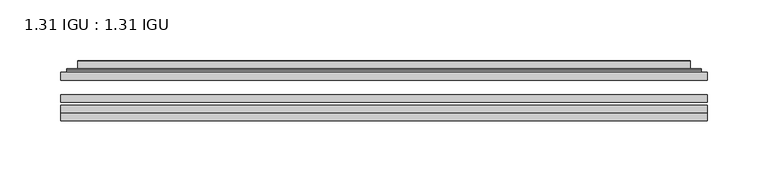
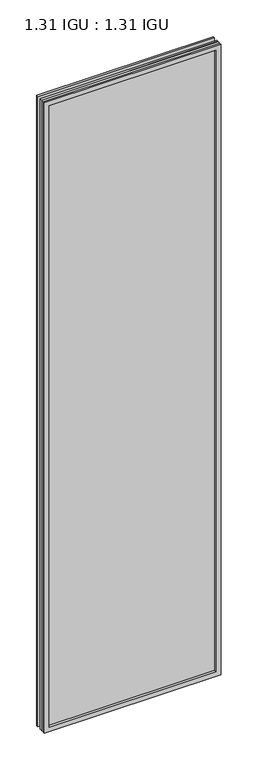
"""IFC4 building model written with IfcOpenShell, lengths in millimetres: plate geometry, 1.31 IGU : 1.31 IGU."""

from ifc_helpers import new_model, si_unit, frame, origin, place, context, project, spatial, polyline, ellipse_curve, outline, extrude, faceted_brep, source, transform, mapped, element, save
from ifc_brep_helpers import plane_surface, cylinder_surface, advanced_brep


def plate_1_31_igu_1_31_igu_72aa3042(model_context):
    return source(origin(), model_context, "Body", "SolidModel", [
        extrude(outline(polyline([(266.714175, -63.2975937), (266.714175, -69.6475938), (-266.7, -69.6475938), (-266.7, -63.2975937), (266.714175, -63.2975937)])), frame((0.0, 0.0, -14.2875), z_axis=(0.0, 0.0, 1.0), x_axis=(1.0, 0.0, 0.0)), (0.0, 0.0, 1.0), 2009.796575),
        extrude(outline(polyline([(-266.7, -78.2835938), (-266.7, -71.9330887), (266.714175, -71.9330887), (266.714175, -78.2835938), (-266.7, -78.2835938)])), frame((0.0, 0.0, -14.2875), z_axis=(0.0, 0.0, 1.0), x_axis=(1.0, 0.0, 0.0)), (0.0, 0.0, 1.0), 2009.796575),
        extrude(outline(polyline([(266.714175, -44.9587937), (266.714175, -51.3087938), (-266.7, -51.3087938), (-266.7, -44.9587937), (266.714175, -44.9587937)])), frame((0.0, 0.0, -14.2875), z_axis=(0.0, 0.0, 1.0), x_axis=(1.0, 0.0, 0.0)), (0.0, 0.0, 1.0), 2009.796575),
        faceted_brep([(-266.7127, -84.6335937, 1995.5179772), (-266.7127, -78.2835937, 1995.5179772), (-266.7127, -78.2835937, -14.3002), (-266.7127, -84.6335937, -14.3002), (266.7127, -78.2835937, -14.3002), (266.7127, -84.6335937, -14.3002), (266.7127, -78.2835937, 1995.5179772), (266.7127, -84.6335937, 1995.5179772), (-251.5147559, -78.2835937, 0.8977441), (251.5147559, -78.2835937, 0.8977441), (251.5147559, -78.2835937, 1980.320033), (-251.5147559, -78.2835937, 1980.320033), (-252.4071902, -84.6335937, 1981.2124673), (252.4071902, -84.6335937, 1981.2124673), (252.4071902, -84.6335937, 0.0053098), (-252.4071902, -84.6335937, 0.0053098)], [[[0, 1, 2, 3]], [[3, 2, 4, 5]], [[5, 4, 6, 7]], [[1, 6, 4, 2], [8, 9, 10, 11]], [[7, 6, 1, 0]], [[3, 5, 7, 0], [12, 13, 14, 15]], [[11, 12, 15, 8]], [[8, 15, 14, 9]], [[9, 14, 13, 10]], [[10, 13, 12, 11]]]),
        advanced_brep(
        [(-259.458719, -44.9587937, 1988.2639962), (-261.8129244, -42.9691271, 1990.6182015), (-261.8129244, -42.9691271, -9.4004244), (-259.458719, -44.9587937, -7.046219), (-250.3843939, -41.1187568, 1979.1896711), (-245.4495621, -44.9587937, 1974.2548392), (-245.4495621, -44.9587937, 6.9629379), (-250.3843939, -41.1187568, 2.0281061), (-251.4164217, -35.7215256, 1980.2216988), (-251.4164217, -35.7215256, 0.9960783), (-252.4070784, -35.3225507, 1981.2123556), (-252.4070784, -35.3225507, 0.0054216), (-252.4070784, -41.7837937, 1981.2123556), (-252.4070784, -41.7837937, 0.0054216), (-260.8111349, -41.7837937, 1989.616412), (-260.8111349, -41.7837937, -8.3986349), (261.8129244, -42.9691271, -9.4004244), (259.458719, -44.9587937, -7.046219), (245.4495621, -44.9587937, 6.9629379), (250.3843939, -41.1187568, 2.0281061), (251.4164217, -35.7215256, 0.9960783), (252.4070784, -35.3225507, 0.0054216), (252.4070784, -41.7837937, 0.0054216), (260.8111349, -41.7837937, -8.3986349), (261.8129244, -42.9691271, 1990.6182015), (259.458719, -44.9587937, 1988.2639962), (245.4495621, -44.9587937, 1974.2548392), (250.3843939, -41.1187568, 1979.1896711), (251.4164217, -35.7215256, 1980.2216988), (252.4070784, -35.3225507, 1981.2123556), (252.4070784, -41.7837937, 1981.2123556), (260.8111349, -41.7837937, 1989.616412)],
        [
            (0, 1, ellipse_curve(frame((-259.458719, -42.5711937, 1988.2639962), z_axis=(-0.7071067811865475, 0.0, -0.7071067811865475), x_axis=(-0.7071067811865474, 0.0, 0.7071067811865476)), 3.3765763, 2.3876)),
            (1, 2),
            (2, 3, ellipse_curve(frame((-259.458719, -42.5711937, -7.046219), z_axis=(-0.7071067811865475, 0.0, 0.7071067811865475), x_axis=(0.7071067811865474, 0.0, 0.7071067811865476)), 3.3765763, 2.3876)),
            (3, 0),
            (4, 5),
            (5, 6),
            (6, 7),
            (7, 4),
            (8, 4),
            (7, 9),
            (9, 8),
            (10, 8, ellipse_curve(frame((-252.0401219, -35.840786, 1980.845399), z_axis=(-0.7071067811865475, 0.0, -0.7071067811865475), x_axis=(-0.7071067811865474, 0.0, 0.7071067811865476)), 0.8980256, 0.635)),
            (9, 11, ellipse_curve(frame((-252.0401219, -35.840786, 0.3723781), z_axis=(-0.7071067811865475, 0.0, 0.7071067811865475), x_axis=(0.7071067811865474, 0.0, 0.7071067811865476)), 0.8980256, 0.635)),
            (11, 10),
            (12, 10),
            (11, 13),
            (13, 12),
            (1, 14, ellipse_curve(frame((-260.8111349, -42.7997937, 1989.616412), z_axis=(-0.7071067811865475, 0.0, -0.7071067811865475), x_axis=(-0.7071067811865474, 0.0, 0.7071067811865476)), 1.436841, 1.016)),
            (14, 15),
            (15, 2, ellipse_curve(frame((-260.8111349, -42.7997937, -8.3986349), z_axis=(-0.7071067811865475, 0.0, 0.7071067811865475), x_axis=(0.7071067811865474, 0.0, 0.7071067811865476)), 1.436841, 1.016)),
            (2, 16),
            (16, 17, ellipse_curve(frame((259.458719, -42.5711937, -7.046219), z_axis=(-0.7071067811865475, 0.0, -0.7071067811865475), x_axis=(-0.7071067811865476, 0.0, 0.7071067811865474)), 3.3765763, 2.3876)),
            (17, 3),
            (6, 18),
            (18, 19),
            (19, 7),
            (19, 20),
            (20, 9),
            (20, 21, ellipse_curve(frame((252.0401219, -35.840786, 0.3723781), z_axis=(-0.7071067811865475, 0.0, -0.7071067811865475), x_axis=(-0.7071067811865476, 0.0, 0.7071067811865474)), 0.8980256, 0.635)),
            (21, 11),
            (21, 22),
            (22, 13),
            (15, 23),
            (23, 16, ellipse_curve(frame((260.8111349, -42.7997937, -8.3986349), z_axis=(-0.7071067811865475, 0.0, -0.7071067811865475), x_axis=(-0.7071067811865476, 0.0, 0.7071067811865474)), 1.436841, 1.016)),
            (16, 24),
            (24, 25, ellipse_curve(frame((259.458719, -42.5711937, 1988.2639962), z_axis=(0.7071067811865475, 0.0, -0.7071067811865475), x_axis=(-0.7071067811865474, 0.0, -0.7071067811865476)), 3.3765763, 2.3876)),
            (25, 17),
            (18, 26),
            (26, 27),
            (27, 19),
            (27, 28),
            (28, 20),
            (28, 29, ellipse_curve(frame((252.0401219, -35.840786, 1980.845399), z_axis=(0.7071067811865475, 0.0, -0.7071067811865475), x_axis=(-0.7071067811865474, 0.0, -0.7071067811865476)), 0.8980256, 0.635)),
            (29, 21),
            (29, 30),
            (30, 22),
            (23, 31),
            (31, 24, ellipse_curve(frame((260.8111349, -42.7997937, 1989.616412), z_axis=(0.7071067811865475, 0.0, -0.7071067811865475), x_axis=(-0.7071067811865474, 0.0, -0.7071067811865476)), 1.436841, 1.016)),
            (24, 1),
            (0, 25),
            (5, 26),
            (4, 27),
            (8, 28),
            (10, 29),
            (12, 30),
            (14, 31),
        ],
        [
            cylinder_surface(frame((-259.458719, -42.5711937, 2012.9677772), z_axis=(0.0, 0.0, 1.0), x_axis=(-1.0, 0.0, 0.0)), 2.3876),
            plane_surface(frame((-245.4495621, -44.9587937, 1974.2548392), z_axis=(0.6141233906514794, 0.7892100234124821, 0.0), x_axis=(0.0, 0.0, -1.0))),
            plane_surface(frame((-250.3843939, -41.1187568, 1979.1896711), z_axis=(0.9822050625507729, 0.18781164793386076, 0.0), x_axis=(0.0, 0.0, -1.0))),
            cylinder_surface(frame((-252.0401219, -35.840786, 2012.9677772), z_axis=(0.0, 0.0, 1.0), x_axis=(-1.0, 0.0, 0.0)), 0.635),
            plane_surface(frame((-252.4070784, -35.3225507, 1981.2123556), z_axis=(-1.0, 0.0, 0.0), x_axis=(0.0, 0.0, -1.0))),
            cylinder_surface(frame((-260.8111349, -42.7997937, 2012.9677772), z_axis=(0.0, 0.0, 1.0), x_axis=(-1.0, 0.0, 0.0)), 1.016),
            cylinder_surface(frame((-284.1625, -42.5711937, -7.046219), z_axis=(-1.0, 0.0, 0.0), x_axis=(0.0, 0.0, -1.0)), 2.3876),
            plane_surface(frame((-245.4495621, -44.9587937, 6.9629379), z_axis=(0.0, 0.7892100234124841, 0.6141233906514768), x_axis=(1.0, 0.0, 0.0))),
            plane_surface(frame((-250.3843939, -41.1187568, 2.0281061), z_axis=(0.0, 0.18781164793386393, 0.9822050625507723), x_axis=(1.0, 0.0, 0.0))),
            cylinder_surface(frame((-284.1625, -35.840786, 0.3723781), z_axis=(-1.0, 0.0, 0.0), x_axis=(0.0, 0.0, -1.0)), 0.635),
            plane_surface(frame((-252.4070784, -35.3225507, 0.0054216), z_axis=(0.0, 0.0, -1.0), x_axis=(1.0, 0.0, 0.0))),
            cylinder_surface(frame((-284.1625, -42.7997937, -8.3986349), z_axis=(-1.0, 0.0, 0.0), x_axis=(0.0, 0.0, -1.0)), 1.016),
            cylinder_surface(frame((259.458719, -42.5711937, -31.75), z_axis=(0.0, 0.0, -1.0), x_axis=(1.0, 0.0, 0.0)), 2.3876),
            plane_surface(frame((245.4495621, -44.9587937, 6.9629379), z_axis=(-0.6141233906514743, 0.7892100234124861, 0.0), x_axis=(0.0, 0.0, 1.0))),
            plane_surface(frame((250.3843939, -41.1187568, 2.0281061), z_axis=(-0.9822050625507718, 0.1878116479338671, 0.0), x_axis=(0.0, 0.0, 1.0))),
            cylinder_surface(frame((252.0401219, -35.840786, -31.75), z_axis=(0.0, 0.0, -1.0), x_axis=(1.0, 0.0, 0.0)), 0.635),
            plane_surface(frame((252.4070784, -35.3225507, 0.0054216), z_axis=(1.0, 0.0, 0.0), x_axis=(0.0, 0.0, 1.0))),
            cylinder_surface(frame((260.8111349, -42.7997937, -31.75), z_axis=(0.0, 0.0, -1.0), x_axis=(1.0, 0.0, 0.0)), 1.016),
            cylinder_surface(frame((284.1625, -42.5711937, 1988.2639962), z_axis=(1.0, 0.0, 0.0), x_axis=(0.0, 0.0, 1.0)), 2.3876),
            plane_surface(frame((259.458719, -44.9587937, 1988.2639962), z_axis=(0.0, -1.0, 0.0), x_axis=(-1.0, 0.0, 0.0))),
            plane_surface(frame((245.4495621, -44.9587937, 1974.2548392), z_axis=(0.0, 0.7892100234124841, -0.6141233906514768), x_axis=(-1.0, 0.0, 0.0))),
            plane_surface(frame((250.3843939, -41.1187568, 1979.1896711), z_axis=(0.0, 0.18781164793386393, -0.9822050625507723), x_axis=(-1.0, 0.0, 0.0))),
            cylinder_surface(frame((284.1625, -35.840786, 1980.845399), z_axis=(1.0, 0.0, 0.0), x_axis=(0.0, 0.0, 1.0)), 0.635),
            plane_surface(frame((252.4070784, -35.3225507, 1981.2123556), z_axis=(0.0, 0.0, 1.0), x_axis=(-1.0, 0.0, 0.0))),
            plane_surface(frame((252.4070784, -41.7837937, 1981.2123556), z_axis=(0.0, 1.0, 0.0), x_axis=(-1.0, 0.0, 0.0))),
            cylinder_surface(frame((284.1625, -42.7997937, 1989.616412), z_axis=(1.0, 0.0, 0.0), x_axis=(0.0, 0.0, 1.0)), 1.016),
        ],
        [
            (0, [[1, 2, 3, 4]]),
            (1, [[5, 6, 7, 8]]),
            (2, [[9, -8, 10, 11]]),
            (3, [[12, -11, 13, 14]]),
            (4, [[15, -14, 16, 17]]),
            (5, [[18, 19, 20, -2]]),
            (6, [[-3, 21, 22, 23]]),
            (7, [[-7, 24, 25, 26]]),
            (8, [[-10, -26, 27, 28]]),
            (9, [[-13, -28, 29, 30]]),
            (10, [[-16, -30, 31, 32]]),
            (11, [[-20, 33, 34, -21]]),
            (12, [[-22, 35, 36, 37]]),
            (13, [[-25, 38, 39, 40]]),
            (14, [[-27, -40, 41, 42]]),
            (15, [[-29, -42, 43, 44]]),
            (16, [[-31, -44, 45, 46]]),
            (17, [[-34, 47, 48, -35]]),
            (18, [[-36, 49, -1, 50]]),
            (19, [[-23, -37, -50, -4], [51, -38, -24, -6]]),
            (20, [[-39, -51, -5, 52]]),
            (21, [[-41, -52, -9, 53]]),
            (22, [[-43, -53, -12, 54]]),
            (23, [[-45, -54, -15, 55]]),
            (24, [[56, -47, -33, -19], [-32, -46, -55, -17]]),
            (25, [[-48, -56, -18, -49]]),
        ],
    ),
    ])


if __name__ == "__main__":
    model = new_model("IFC4")
    model_context = context("Model", 3, world=origin())
    ifc_project = project(units=[si_unit("LENGTHUNIT", "METRE", prefix="MILLI")], contexts=[model_context])
    site = spatial("IfcSite", under=ifc_project)
    building = spatial("IfcBuilding", under=site)
    placement = place(None, origin())
    plate_1_31_igu_1_31_igu_shape = plate_1_31_igu_1_31_igu_72aa3042(model_context)
    element("IfcPlate", 1, ObjectType="1.31 IGU : 1.31 IGU", at=placement, inside=building, context=model_context, shape_type="MappedRepresentation", body=[
        mapped(plate_1_31_igu_1_31_igu_shape, transform((0.0, 0.0, 0.0), x_axis=(1.0, 0.0, 0.0), y_axis=(0.0, 1.0, 0.0), z_axis=(0.0, 0.0, 1.0))),
    ])
    save(model, "model.ifc")
